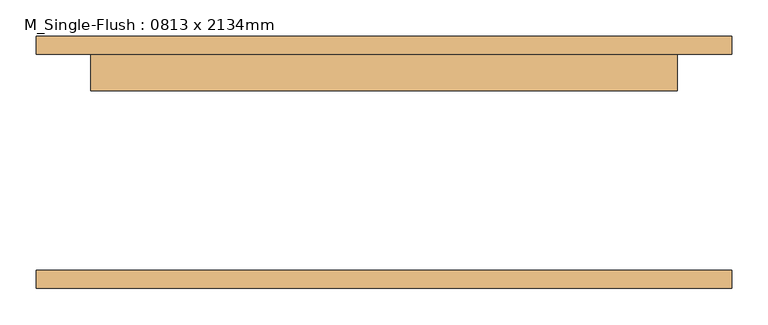
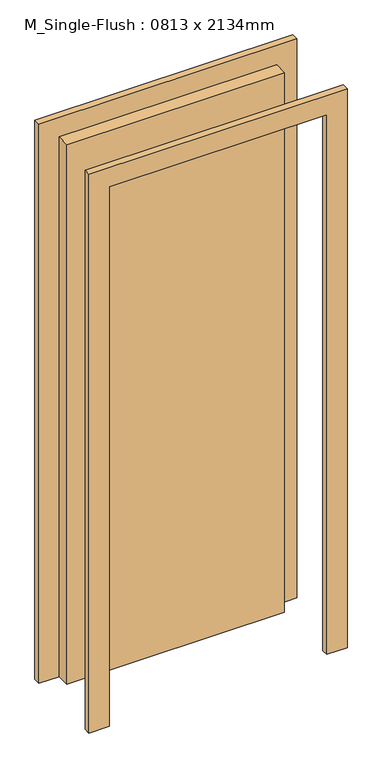
"""IFC4 building model written with IfcOpenShell, lengths in millimetres: door geometry, M_Single-Flush : 0813 x 2134mm."""

import ifcopenshell
import ifcopenshell.guid

model = None  # the IFC model being written
_history = None  # IfcOwnerHistory: only IFC2X3 demands one
_inside = {}  # id of a spatial element -> (the spatial element, [elements in it])
_under = {}  # id of a project, library or spatial element -> (it, [spatial elements below it])
_declared = {}  # id of a project -> (the project, [libraries it declares])
_typed = {}  # id of a type object -> (the type object, [elements of that type])
_made_of = {}  # id of a material, layer set ... -> (it, [elements and type objects made of it])


def new_model(schema):
    """Start an empty IFC model of exactly this schema.

    Asked for "IFC4X3", IfcOpenShell would pick the latest addendum, in which some entities
    have other attributes; the version numbers below select the first issue.
    IFC2X3 requires an IfcOwnerHistory on every rooted entity: one is made here for all.
    """
    global model, _history
    if schema == "IFC4X3":
        model = ifcopenshell.file(schema_version=(4, 3, 0, 0))
    else:
        model = ifcopenshell.file(schema=schema)
    _inside.clear()
    _under.clear()
    _declared.clear()
    _typed.clear()
    _made_of.clear()
    _history = None
    if model.schema == "IFC2X3":
        org = make("IfcOrganization", Name="unknown")
        user = make(
            "IfcPersonAndOrganization",
            ThePerson=make("IfcPerson", FamilyName="unknown"),
            TheOrganization=org,
        )
        app = make(
            "IfcApplication",
            ApplicationDeveloper=org,
            Version="unknown",
            ApplicationFullName="unknown",
            ApplicationIdentifier="unknown",
        )
        _history = make(
            "IfcOwnerHistory",
            OwningUser=user,
            OwningApplication=app,
            ChangeAction="ADDED",
            CreationDate=0,
        )
    return model


def make(cls, **values):
    """One entity of the class cls with the attributes given. An attribute that is None is left unset."""
    return model.create_entity(
        cls, **{name: value for name, value in values.items() if value is not None}
    )


def rooted(cls, **values):
    """An entity with a GlobalId (a new one), such as an element, a storey or a relation."""
    return make(cls, GlobalId=ifcopenshell.guid.new(), OwnerHistory=_history, **values)


def si_unit(unit_type, name, prefix=None):
    """IfcSIUnit, for example si_unit("LENGTHUNIT", "METRE", prefix="MILLI")."""
    return make("IfcSIUnit", UnitType=unit_type, Prefix=prefix, Name=name)


def assignment(units):
    """IfcUnitAssignment: the units of a project."""
    return None if units is None else make("IfcUnitAssignment", Units=units)


def point(xyz):
    """IfcCartesianPoint."""
    return None if xyz is None else make("IfcCartesianPoint", Coordinates=xyz)


def direction(xyz):
    """IfcDirection."""
    return None if xyz is None else make("IfcDirection", DirectionRatios=xyz)


def frame(location, z_axis=None, x_axis=None):
    """IfcAxis2Placement3D, a coordinate frame: its origin and axes. An axis left out is left unset."""
    return make(
        "IfcAxis2Placement3D",
        Location=point(location),
        Axis=direction(z_axis),
        RefDirection=direction(x_axis),
    )


def origin():
    """The frame at (0, 0, 0) with its axes left unset."""
    return frame((0.0, 0.0, 0.0))


def origin_with_axes():
    """The frame at (0, 0, 0) with the z axis (0, 0, 1) and the x axis (1, 0, 0) written out."""
    return frame((0.0, 0.0, 0.0), z_axis=(0.0, 0.0, 1.0), x_axis=(1.0, 0.0, 0.0))


def place(relative_to, where):
    """IfcLocalPlacement: puts the frame where relative to a parent placement (None: the world)."""
    return make(
        "IfcLocalPlacement", PlacementRelTo=relative_to, RelativePlacement=where
    )


def context(
    kind, dimensions, precision=None, world=None, true_north=None, identifier=None
):
    """IfcGeometricRepresentationContext, for example the 3D "Model" context."""
    return make(
        "IfcGeometricRepresentationContext",
        ContextIdentifier=identifier,
        ContextType=kind,
        CoordinateSpaceDimension=dimensions,
        Precision=precision,
        WorldCoordinateSystem=world,
        TrueNorth=true_north,
    )


def project(units=None, contexts=None):
    """IfcProject with its units and contexts."""
    return rooted(
        "IfcProject",
        Name="project",
        RepresentationContexts=contexts,
        UnitsInContext=assignment(units),
    )


def spatial(cls, under=None, at=None, **own):
    """A site, building, storey or space (cls), placed at a placement, below another one or the project."""
    s = rooted(cls, ObjectPlacement=at, **own)
    if under is not None:
        _under.setdefault(under.id(), (under, []))[1].append(s)
    return s


def polyline(points):
    """IfcPolyline through the points."""
    return make("IfcPolyline", Points=[point(p) for p in points])


def outline(outer, holes=None, kind="AREA"):
    """IfcArbitraryClosedProfileDef: a profile drawn as a closed curve; with holes, ...WithVoids."""
    if holes is None:
        return make("IfcArbitraryClosedProfileDef", ProfileType=kind, OuterCurve=outer)
    return make(
        "IfcArbitraryProfileDefWithVoids",
        ProfileType=kind,
        OuterCurve=outer,
        InnerCurves=holes,
    )


def extrude(swept, where, along, depth):
    """IfcExtrudedAreaSolid: the profile swept, set in the frame where, extruded along a direction by depth."""
    return make(
        "IfcExtrudedAreaSolid",
        SweptArea=swept,
        Position=where,
        ExtrudedDirection=direction(along),
        Depth=depth,
    )


def shape(context_of_items, identifier, shape_type, items):
    """IfcShapeRepresentation: the items that make up one representation, for example the "Body"."""
    return make(
        "IfcShapeRepresentation",
        ContextOfItems=context_of_items,
        RepresentationIdentifier=identifier,
        RepresentationType=shape_type,
        Items=items,
    )


def source(mapping_origin, context_of_items, identifier, shape_type, items):
    """IfcRepresentationMap: a shape defined once, which mapped items show again and again."""
    return make(
        "IfcRepresentationMap",
        MappingOrigin=mapping_origin,
        MappedRepresentation=shape(context_of_items, identifier, shape_type, items),
    )


def transform(
    local_origin,
    x_axis=None,
    y_axis=None,
    z_axis=None,
    scale=None,
    scale2=None,
    scale3=None,
    uniform=True,
):
    """IfcCartesianTransformationOperator3D, or its non-uniform kind. x_axis, y_axis, z_axis: its Axis1, 2, 3."""
    if uniform:
        return make(
            "IfcCartesianTransformationOperator3D",
            Axis1=direction(x_axis),
            Axis2=direction(y_axis),
            LocalOrigin=point(local_origin),
            Scale=scale,
            Axis3=direction(z_axis),
        )
    return make(
        "IfcCartesianTransformationOperator3DnonUniform",
        Axis1=direction(x_axis),
        Axis2=direction(y_axis),
        LocalOrigin=point(local_origin),
        Scale=scale,
        Axis3=direction(z_axis),
        Scale2=scale2,
        Scale3=scale3,
    )


def mapped(mapping_source, mapping_target):
    """IfcMappedItem: shows the shape of a source again, moved by a transform."""
    return make(
        "IfcMappedItem", MappingSource=mapping_source, MappingTarget=mapping_target
    )


def made_of(thing, what):
    """Note that an element or type object is made of a material, layer set ...; save() writes the relation."""
    if what is not None:
        _made_of.setdefault(what.id(), (what, []))[1].append(thing)
    return thing


def element(
    cls,
    number,
    at=None,
    inside=None,
    cuts=None,
    type_object=None,
    material=None,
    context=None,
    identifier="Body",
    shape_type=None,
    held_by="IfcProductDefinitionShape",
    body=None,
    shapes=None,
    **own,
):
    """One element of the class cls, such as IfcWall. Its Tag is "e" and its number.

    at: its placement. inside: the storey or other place that contains it. cuts: it is an
    opening in that element (IfcRelVoidsElement). A single representation is given by context,
    identifier, shape_type and body (its items); several are given by shapes. held_by: the class
    of the entity that holds the representations. save() writes the other relations.
    """
    e = rooted(cls, Tag="e%d" % number, ObjectPlacement=at, **own)
    if body is not None:
        shapes = [shape(context, identifier, shape_type, body)]
    if shapes is not None:
        e.Representation = make(held_by, Representations=shapes)
    if inside is not None:
        _inside.setdefault(inside.id(), (inside, []))[1].append(e)
    if cuts is not None:
        rooted(
            "IfcRelVoidsElement", RelatingBuildingElement=cuts, RelatedOpeningElement=e
        )
    if type_object is not None:
        _typed.setdefault(type_object.id(), (type_object, []))[1].append(e)
    return made_of(e, material)


def aggregate(whole, parts):
    """IfcRelAggregates: a whole, such as a stair, and the parts it consists of."""
    return rooted("IfcRelAggregates", RelatingObject=whole, RelatedObjects=parts)


def save(model, path):
    """Write the relations noted so far, then the file.

    IfcRelAggregates (storeys below a building ...), IfcRelContainedInSpatialStructure (elements
    in a storey), IfcRelDefinesByType, IfcRelAssociatesMaterial and IfcRelDeclares: one each for
    every whole, place, type object, material and project.
    """
    for whole, parts in _under.values():
        aggregate(whole, parts)
    for where, things in _inside.values():
        rooted(
            "IfcRelContainedInSpatialStructure",
            RelatedElements=things,
            RelatingStructure=where,
        )
    for kind, things in _typed.values():
        rooted("IfcRelDefinesByType", RelatedObjects=things, RelatingType=kind)
    for what, things in _made_of.values():
        rooted("IfcRelAssociatesMaterial", RelatedObjects=things, RelatingMaterial=what)
    for by, libraries in _declared.values():
        rooted("IfcRelDeclares", RelatingContext=by, RelatedDefinitions=libraries)
    model.write(path)


def m_single_flush_0813_x_2134mm_73207d1c(model_context):
    return source(origin(), model_context, "Body", "SweptSolid", [
        extrude(outline(polyline([(2210.0, -482.5), (0.0, -482.5), (0.0, -406.5), (2134.0, -406.5), (2134.0, 406.5), (0.0, 406.5), (0.0, 482.5), (2210.0, 482.5), (2210.0, -482.5)])), frame((0.0, 150.0, 0.0), z_axis=(0.0, 1.0, 0.0), x_axis=(0.0, 0.0, 1.0)), (0.0, 0.0, 1.0), 25.0),
        extrude(outline(polyline([(2210.0, 482.5), (2210.0, -482.5), (0.0, -482.5), (0.0, -406.5), (2134.0, -406.5), (2134.0, 406.5), (0.0, 406.5), (0.0, 482.5), (2210.0, 482.5)])), frame((0.0, -175.0, 0.0), z_axis=(0.0, 1.0, 0.0), x_axis=(0.0, 0.0, 1.0)), (0.0, 0.0, 1.0), 25.0),
        extrude(outline(polyline([(406.5, 99.0), (-406.5, 99.0), (-406.5, 150.0), (406.5, 150.0), (406.5, 99.0)])), origin_with_axes(), (0.0, 0.0, 1.0), 2134.0),
    ])


if __name__ == "__main__":
    model = new_model("IFC4")
    model_context = context("Model", 3, world=origin())
    ifc_project = project(units=[si_unit("LENGTHUNIT", "METRE", prefix="MILLI")], contexts=[model_context])
    site = spatial("IfcSite", under=ifc_project)
    building = spatial("IfcBuilding", under=site)
    placement = place(None, origin())
    m_single_flush_0813_x_2134mm_shape = m_single_flush_0813_x_2134mm_73207d1c(model_context)
    element("IfcDoor", 1, ObjectType="M_Single-Flush : 0813 x 2134mm", at=placement, inside=building, context=model_context, shape_type="MappedRepresentation", body=[
        mapped(m_single_flush_0813_x_2134mm_shape, transform((0.0, 0.0, 0.0), x_axis=(1.0, 0.0, 0.0), y_axis=(0.0, 1.0, 0.0), z_axis=(0.0, 0.0, 1.0))),
    ])
    save(model, "model.ifc")
